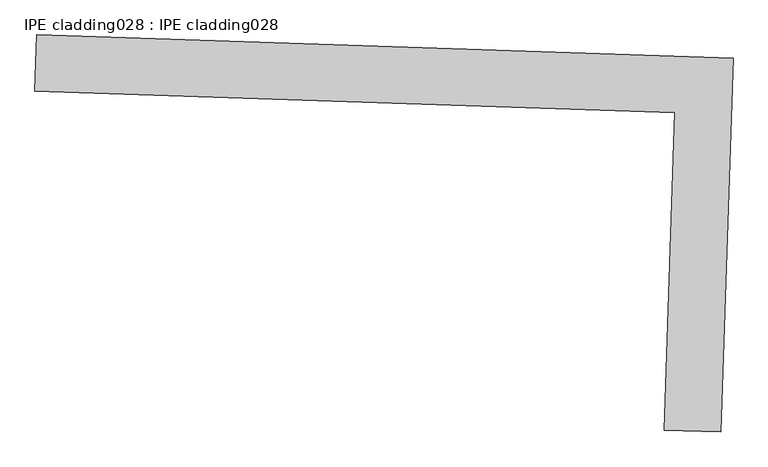
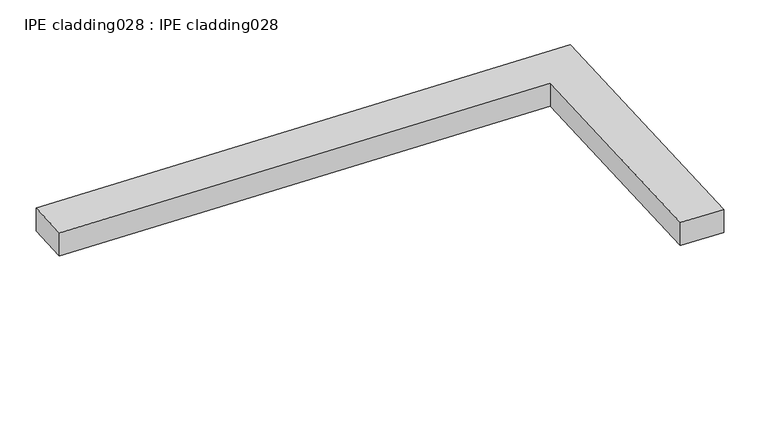
"""IFC4 building model written with IfcOpenShell, lengths in millimetres: proxy geometry, IPE cladding028 : IPE cladding028."""

from ifc_helpers import new_model, si_unit, frame, origin, place, context, project, spatial, polyline, outline, extrude, source, transform, mapped, element, save


def ipe_cladding028_ipe_cladding028_4af3f2b3(model_context):
    return source(origin(), model_context, "Body", "SweptSolid", [
        extrude(outline(polyline([(17306.5855182, -14579.7386723), (17309.5442108, -14490.8879203), (18405.0054395, -14527.3663161), (18385.3954733, -15116.2616684), (18296.5447211, -15113.302976), (18313.1959951, -14613.2583755), (17306.5855182, -14579.7386723)])), frame((0.0, 0.0, 2867.975707), z_axis=(0.0, 0.0, 1.0), x_axis=(1.0, 0.0, 0.0)), (0.0, 0.0, 1.0), 50.8),
    ])


if __name__ == "__main__":
    model = new_model("IFC4")
    model_context = context("Model", 3, world=origin())
    ifc_project = project(units=[si_unit("LENGTHUNIT", "METRE", prefix="MILLI")], contexts=[model_context])
    site = spatial("IfcSite", under=ifc_project)
    building = spatial("IfcBuilding", under=site)
    placement = place(None, origin())
    ipe_cladding028_ipe_cladding028_shape = ipe_cladding028_ipe_cladding028_4af3f2b3(model_context)
    element("IfcBuildingElementProxy", 1, Name="IPE cladding028 : IPE cladding028", ObjectType="IPE cladding028 : IPE cladding028", at=placement, inside=building, context=model_context, shape_type="MappedRepresentation", body=[
        mapped(ipe_cladding028_ipe_cladding028_shape, transform((0.0, 0.0, 0.0), x_axis=(1.0, 0.0, 0.0), y_axis=(0.0, 1.0, 0.0), z_axis=(0.0, 0.0, 1.0))),
    ])
    save(model, "model.ifc")
